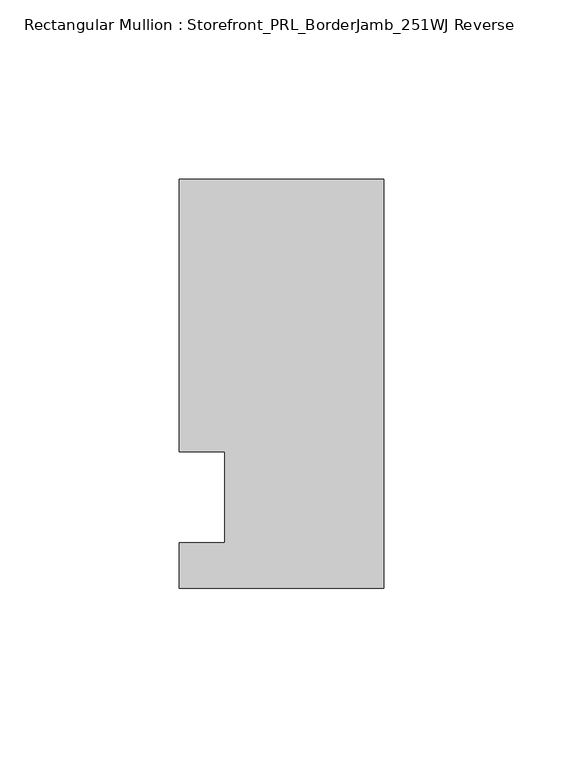
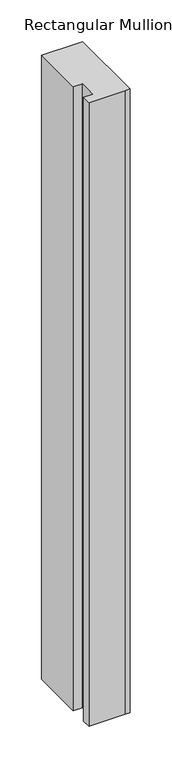
"""IFC4 building model written with IfcOpenShell, lengths in millimetres: member geometry, Rectangular Mullion : Storefront_PRL_BorderJamb_251WJ Reverse."""

import ifcopenshell
import ifcopenshell.guid

model = None  # the IFC model being written
_history = None  # IfcOwnerHistory: only IFC2X3 demands one
_inside = {}  # id of a spatial element -> (the spatial element, [elements in it])
_under = {}  # id of a project, library or spatial element -> (it, [spatial elements below it])
_declared = {}  # id of a project -> (the project, [libraries it declares])
_typed = {}  # id of a type object -> (the type object, [elements of that type])
_made_of = {}  # id of a material, layer set ... -> (it, [elements and type objects made of it])


def new_model(schema):
    """Start an empty IFC model of exactly this schema.

    Asked for "IFC4X3", IfcOpenShell would pick the latest addendum, in which some entities
    have other attributes; the version numbers below select the first issue.
    IFC2X3 requires an IfcOwnerHistory on every rooted entity: one is made here for all.
    """
    global model, _history
    if schema == "IFC4X3":
        model = ifcopenshell.file(schema_version=(4, 3, 0, 0))
    else:
        model = ifcopenshell.file(schema=schema)
    _inside.clear()
    _under.clear()
    _declared.clear()
    _typed.clear()
    _made_of.clear()
    _history = None
    if model.schema == "IFC2X3":
        org = make("IfcOrganization", Name="unknown")
        user = make(
            "IfcPersonAndOrganization",
            ThePerson=make("IfcPerson", FamilyName="unknown"),
            TheOrganization=org,
        )
        app = make(
            "IfcApplication",
            ApplicationDeveloper=org,
            Version="unknown",
            ApplicationFullName="unknown",
            ApplicationIdentifier="unknown",
        )
        _history = make(
            "IfcOwnerHistory",
            OwningUser=user,
            OwningApplication=app,
            ChangeAction="ADDED",
            CreationDate=0,
        )
    return model


def make(cls, **values):
    """One entity of the class cls with the attributes given. An attribute that is None is left unset."""
    return model.create_entity(
        cls, **{name: value for name, value in values.items() if value is not None}
    )


def rooted(cls, **values):
    """An entity with a GlobalId (a new one), such as an element, a storey or a relation."""
    return make(cls, GlobalId=ifcopenshell.guid.new(), OwnerHistory=_history, **values)


def si_unit(unit_type, name, prefix=None):
    """IfcSIUnit, for example si_unit("LENGTHUNIT", "METRE", prefix="MILLI")."""
    return make("IfcSIUnit", UnitType=unit_type, Prefix=prefix, Name=name)


def assignment(units):
    """IfcUnitAssignment: the units of a project."""
    return None if units is None else make("IfcUnitAssignment", Units=units)


def point(xyz):
    """IfcCartesianPoint."""
    return None if xyz is None else make("IfcCartesianPoint", Coordinates=xyz)


def direction(xyz):
    """IfcDirection."""
    return None if xyz is None else make("IfcDirection", DirectionRatios=xyz)


def frame(location, z_axis=None, x_axis=None):
    """IfcAxis2Placement3D, a coordinate frame: its origin and axes. An axis left out is left unset."""
    return make(
        "IfcAxis2Placement3D",
        Location=point(location),
        Axis=direction(z_axis),
        RefDirection=direction(x_axis),
    )


def origin():
    """The frame at (0, 0, 0) with its axes left unset."""
    return frame((0.0, 0.0, 0.0))


def place(relative_to, where):
    """IfcLocalPlacement: puts the frame where relative to a parent placement (None: the world)."""
    return make(
        "IfcLocalPlacement", PlacementRelTo=relative_to, RelativePlacement=where
    )


def context(
    kind, dimensions, precision=None, world=None, true_north=None, identifier=None
):
    """IfcGeometricRepresentationContext, for example the 3D "Model" context."""
    return make(
        "IfcGeometricRepresentationContext",
        ContextIdentifier=identifier,
        ContextType=kind,
        CoordinateSpaceDimension=dimensions,
        Precision=precision,
        WorldCoordinateSystem=world,
        TrueNorth=true_north,
    )


def project(units=None, contexts=None):
    """IfcProject with its units and contexts."""
    return rooted(
        "IfcProject",
        Name="project",
        RepresentationContexts=contexts,
        UnitsInContext=assignment(units),
    )


def spatial(cls, under=None, at=None, **own):
    """A site, building, storey or space (cls), placed at a placement, below another one or the project."""
    s = rooted(cls, ObjectPlacement=at, **own)
    if under is not None:
        _under.setdefault(under.id(), (under, []))[1].append(s)
    return s


def polyline(points):
    """IfcPolyline through the points."""
    return make("IfcPolyline", Points=[point(p) for p in points])


def outline(outer, holes=None, kind="AREA"):
    """IfcArbitraryClosedProfileDef: a profile drawn as a closed curve; with holes, ...WithVoids."""
    if holes is None:
        return make("IfcArbitraryClosedProfileDef", ProfileType=kind, OuterCurve=outer)
    return make(
        "IfcArbitraryProfileDefWithVoids",
        ProfileType=kind,
        OuterCurve=outer,
        InnerCurves=holes,
    )


def extrude(swept, where, along, depth):
    """IfcExtrudedAreaSolid: the profile swept, set in the frame where, extruded along a direction by depth."""
    return make(
        "IfcExtrudedAreaSolid",
        SweptArea=swept,
        Position=where,
        ExtrudedDirection=direction(along),
        Depth=depth,
    )


def shape(context_of_items, identifier, shape_type, items):
    """IfcShapeRepresentation: the items that make up one representation, for example the "Body"."""
    return make(
        "IfcShapeRepresentation",
        ContextOfItems=context_of_items,
        RepresentationIdentifier=identifier,
        RepresentationType=shape_type,
        Items=items,
    )


def source(mapping_origin, context_of_items, identifier, shape_type, items):
    """IfcRepresentationMap: a shape defined once, which mapped items show again and again."""
    return make(
        "IfcRepresentationMap",
        MappingOrigin=mapping_origin,
        MappedRepresentation=shape(context_of_items, identifier, shape_type, items),
    )


def transform(
    local_origin,
    x_axis=None,
    y_axis=None,
    z_axis=None,
    scale=None,
    scale2=None,
    scale3=None,
    uniform=True,
):
    """IfcCartesianTransformationOperator3D, or its non-uniform kind. x_axis, y_axis, z_axis: its Axis1, 2, 3."""
    if uniform:
        return make(
            "IfcCartesianTransformationOperator3D",
            Axis1=direction(x_axis),
            Axis2=direction(y_axis),
            LocalOrigin=point(local_origin),
            Scale=scale,
            Axis3=direction(z_axis),
        )
    return make(
        "IfcCartesianTransformationOperator3DnonUniform",
        Axis1=direction(x_axis),
        Axis2=direction(y_axis),
        LocalOrigin=point(local_origin),
        Scale=scale,
        Axis3=direction(z_axis),
        Scale2=scale2,
        Scale3=scale3,
    )


def mapped(mapping_source, mapping_target):
    """IfcMappedItem: shows the shape of a source again, moved by a transform."""
    return make(
        "IfcMappedItem", MappingSource=mapping_source, MappingTarget=mapping_target
    )


def made_of(thing, what):
    """Note that an element or type object is made of a material, layer set ...; save() writes the relation."""
    if what is not None:
        _made_of.setdefault(what.id(), (what, []))[1].append(thing)
    return thing


def element(
    cls,
    number,
    at=None,
    inside=None,
    cuts=None,
    type_object=None,
    material=None,
    context=None,
    identifier="Body",
    shape_type=None,
    held_by="IfcProductDefinitionShape",
    body=None,
    shapes=None,
    **own,
):
    """One element of the class cls, such as IfcWall. Its Tag is "e" and its number.

    at: its placement. inside: the storey or other place that contains it. cuts: it is an
    opening in that element (IfcRelVoidsElement). A single representation is given by context,
    identifier, shape_type and body (its items); several are given by shapes. held_by: the class
    of the entity that holds the representations. save() writes the other relations.
    """
    e = rooted(cls, Tag="e%d" % number, ObjectPlacement=at, **own)
    if body is not None:
        shapes = [shape(context, identifier, shape_type, body)]
    if shapes is not None:
        e.Representation = make(held_by, Representations=shapes)
    if inside is not None:
        _inside.setdefault(inside.id(), (inside, []))[1].append(e)
    if cuts is not None:
        rooted(
            "IfcRelVoidsElement", RelatingBuildingElement=cuts, RelatedOpeningElement=e
        )
    if type_object is not None:
        _typed.setdefault(type_object.id(), (type_object, []))[1].append(e)
    return made_of(e, material)


def aggregate(whole, parts):
    """IfcRelAggregates: a whole, such as a stair, and the parts it consists of."""
    return rooted("IfcRelAggregates", RelatingObject=whole, RelatedObjects=parts)


def save(model, path):
    """Write the relations noted so far, then the file.

    IfcRelAggregates (storeys below a building ...), IfcRelContainedInSpatialStructure (elements
    in a storey), IfcRelDefinesByType, IfcRelAssociatesMaterial and IfcRelDeclares: one each for
    every whole, place, type object, material and project.
    """
    for whole, parts in _under.values():
        aggregate(whole, parts)
    for where, things in _inside.values():
        rooted(
            "IfcRelContainedInSpatialStructure",
            RelatedElements=things,
            RelatingStructure=where,
        )
    for kind, things in _typed.values():
        rooted("IfcRelDefinesByType", RelatedObjects=things, RelatingType=kind)
    for what, things in _made_of.values():
        rooted("IfcRelAssociatesMaterial", RelatedObjects=things, RelatingMaterial=what)
    for by, libraries in _declared.values():
        rooted("IfcRelDeclares", RelatingContext=by, RelatedDefinitions=libraries)
    model.write(path)


def rectangular_mullion_storefront_prl_borderjamb_251wj_reverse_d73595dc(model_context):
    return source(origin(), model_context, "Body", "SweptSolid", [
        extrude(outline(polyline([(-44.45, 12.7), (-57.15, 12.7), (-57.15, 88.9), (-6.35, 88.9), (0.0, 88.9), (0.0, -25.4), (-7.3958824, -25.4), (-57.15, -25.4), (-57.15, -12.7), (-44.45, -12.7), (-44.45, 12.7)])), frame((0.0, 0.0, -914.4), z_axis=(0.0, 0.0, 1.0), x_axis=(1.0, 0.0, 0.0)), (0.0, 0.0, 1.0), 914.4),
    ])


if __name__ == "__main__":
    model = new_model("IFC4")
    model_context = context("Model", 3, world=origin())
    ifc_project = project(units=[si_unit("LENGTHUNIT", "METRE", prefix="MILLI")], contexts=[model_context])
    site = spatial("IfcSite", under=ifc_project)
    building = spatial("IfcBuilding", under=site)
    placement = place(None, origin())
    rectangular_mullion_storefront_prl_borderjamb_251wj_reverse_shape = rectangular_mullion_storefront_prl_borderjamb_251wj_reverse_d73595dc(model_context)
    element("IfcMember", 1, ObjectType="Rectangular Mullion : Storefront_PRL_BorderJamb_251WJ Reverse", at=placement, inside=building, context=model_context, shape_type="MappedRepresentation", body=[
        mapped(rectangular_mullion_storefront_prl_borderjamb_251wj_reverse_shape, transform((0.0, 0.0, 0.0), x_axis=(1.0, 0.0, 0.0), y_axis=(0.0, 1.0, 0.0), z_axis=(0.0, 0.0, 1.0))),
    ])
    save(model, "model.ifc")
